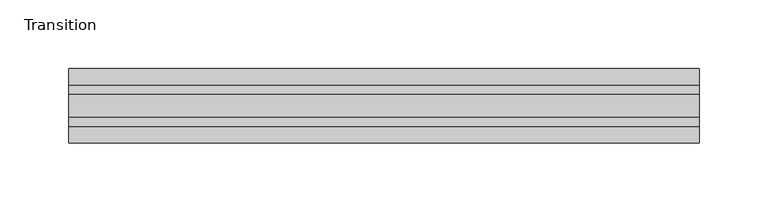
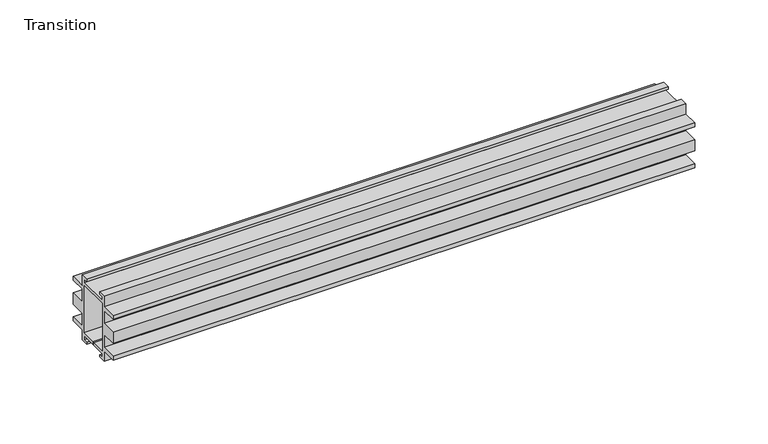
"""IFC4 building model written with IfcOpenShell, lengths in millimetres: furniture geometry, Transition."""

from ifc_helpers import new_model, si_unit, frame, origin, place, context, project, spatial, polyline, outline, extrude, source, transform, mapped, element, save


def transition_ae196bf4(model_context):
    return source(origin(), model_context, "Body", "SweptSolid", [
        extrude(outline(polyline([(30.3018055, -26.987501), (24.1018053, -26.987501), (24.1018053, -25.187501), (27.6018054, -25.187501), (27.6018054, -22.0875009), (16.0018051, -22.0875009), (16.0018051, -20.0875008), (28.3018055, -20.0875008), (28.3018055, 20.0875008), (2.7018046, 20.0875008), (2.7018046, -20.0875008), (15.001805, -20.0875008), (15.001805, -22.0875009), (3.4018047, -22.0875009), (3.4018047, -25.187501), (6.9018048, -25.187501), (6.9018048, -26.987501), (0.7018046, -26.987501), (0.7018046, -18.5682277), (-11.485695, -18.5682277), (-11.485695, -15.2682276), (0.7018046, -15.2682276), (0.7018046, -4.7000002), (-11.485695, -4.7000002), (-11.485695, 4.7000002), (0.7018046, 4.7000002), (0.7018046, 15.2682276), (-11.485695, 15.2682276), (-11.485695, 18.5682277), (0.7018046, 18.5682277), (0.7018046, 26.987501), (6.9018048, 26.987501), (6.9018048, 25.187501), (3.4018047, 25.187501), (3.4018047, 22.0875009), (27.6018054, 22.0875009), (27.6018054, 25.187501), (24.1018053, 25.187501), (24.1018053, 26.987501), (30.3018055, 26.987501), (30.3018055, 18.5682277), (42.489305, 18.5682277), (42.489305, 15.2682276), (30.3018055, 15.2682276), (30.3018055, 4.7000002), (42.489305, 4.7000002), (42.489305, -4.7000002), (30.3018055, -4.7000002), (30.3018055, -15.2682276), (42.489305, -15.2682276), (42.489305, -18.5682277), (30.3018055, -18.5682277), (30.3018055, -26.987501)])), frame((-198.6228469, 0.0, 0.0), z_axis=(1.0, 0.0, 0.0), x_axis=(0.0, 1.0, 0.0)), (0.0, 0.0, 1.0), 457.2),
    ])


if __name__ == "__main__":
    model = new_model("IFC4")
    model_context = context("Model", 3, world=origin())
    ifc_project = project(units=[si_unit("LENGTHUNIT", "METRE", prefix="MILLI")], contexts=[model_context])
    site = spatial("IfcSite", under=ifc_project)
    building = spatial("IfcBuilding", under=site)
    placement = place(None, origin())
    transition_shape = transition_ae196bf4(model_context)
    element("IfcFurniture", 1, ObjectType="Transition", at=placement, inside=building, context=model_context, shape_type="MappedRepresentation", body=[
        mapped(transition_shape, transform((0.0, 0.0, 0.0), x_axis=(1.0, 0.0, 0.0), y_axis=(0.0, 1.0, 0.0), z_axis=(0.0, 0.0, 1.0))),
    ])
    save(model, "model.ifc")
